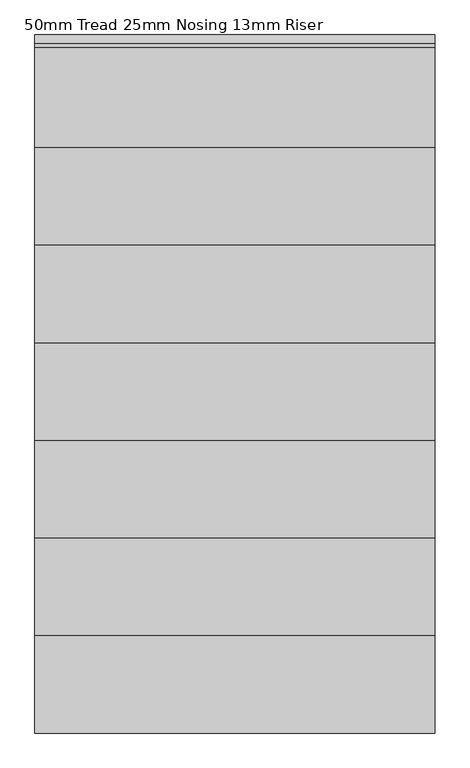
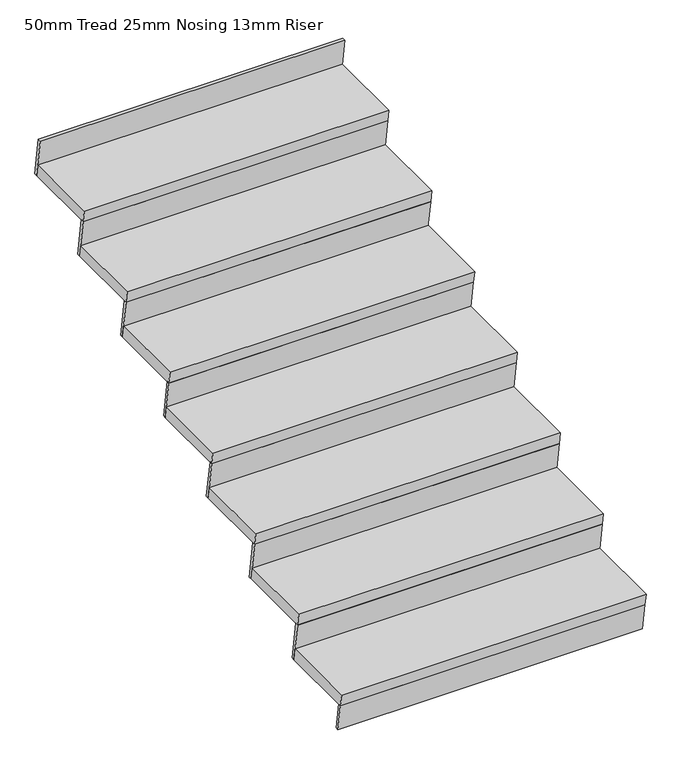
"""IFC4 building model written with IfcOpenShell, lengths in millimetres: stair flight geometry, 50mm Tread 25mm Nosing 13mm Riser."""

import ifcopenshell
import ifcopenshell.guid

model = None  # the IFC model being written
_history = None  # IfcOwnerHistory: only IFC2X3 demands one
_inside = {}  # id of a spatial element -> (the spatial element, [elements in it])
_under = {}  # id of a project, library or spatial element -> (it, [spatial elements below it])
_declared = {}  # id of a project -> (the project, [libraries it declares])
_typed = {}  # id of a type object -> (the type object, [elements of that type])
_made_of = {}  # id of a material, layer set ... -> (it, [elements and type objects made of it])


def new_model(schema):
    """Start an empty IFC model of exactly this schema.

    Asked for "IFC4X3", IfcOpenShell would pick the latest addendum, in which some entities
    have other attributes; the version numbers below select the first issue.
    IFC2X3 requires an IfcOwnerHistory on every rooted entity: one is made here for all.
    """
    global model, _history
    if schema == "IFC4X3":
        model = ifcopenshell.file(schema_version=(4, 3, 0, 0))
    else:
        model = ifcopenshell.file(schema=schema)
    _inside.clear()
    _under.clear()
    _declared.clear()
    _typed.clear()
    _made_of.clear()
    _history = None
    if model.schema == "IFC2X3":
        org = make("IfcOrganization", Name="unknown")
        user = make(
            "IfcPersonAndOrganization",
            ThePerson=make("IfcPerson", FamilyName="unknown"),
            TheOrganization=org,
        )
        app = make(
            "IfcApplication",
            ApplicationDeveloper=org,
            Version="unknown",
            ApplicationFullName="unknown",
            ApplicationIdentifier="unknown",
        )
        _history = make(
            "IfcOwnerHistory",
            OwningUser=user,
            OwningApplication=app,
            ChangeAction="ADDED",
            CreationDate=0,
        )
    return model


def make(cls, **values):
    """One entity of the class cls with the attributes given. An attribute that is None is left unset."""
    return model.create_entity(
        cls, **{name: value for name, value in values.items() if value is not None}
    )


def rooted(cls, **values):
    """An entity with a GlobalId (a new one), such as an element, a storey or a relation."""
    return make(cls, GlobalId=ifcopenshell.guid.new(), OwnerHistory=_history, **values)


def si_unit(unit_type, name, prefix=None):
    """IfcSIUnit, for example si_unit("LENGTHUNIT", "METRE", prefix="MILLI")."""
    return make("IfcSIUnit", UnitType=unit_type, Prefix=prefix, Name=name)


def assignment(units):
    """IfcUnitAssignment: the units of a project."""
    return None if units is None else make("IfcUnitAssignment", Units=units)


def point(xyz):
    """IfcCartesianPoint."""
    return None if xyz is None else make("IfcCartesianPoint", Coordinates=xyz)


def direction(xyz):
    """IfcDirection."""
    return None if xyz is None else make("IfcDirection", DirectionRatios=xyz)


def frame(location, z_axis=None, x_axis=None):
    """IfcAxis2Placement3D, a coordinate frame: its origin and axes. An axis left out is left unset."""
    return make(
        "IfcAxis2Placement3D",
        Location=point(location),
        Axis=direction(z_axis),
        RefDirection=direction(x_axis),
    )


def origin():
    """The frame at (0, 0, 0) with its axes left unset."""
    return frame((0.0, 0.0, 0.0))


def place(relative_to, where):
    """IfcLocalPlacement: puts the frame where relative to a parent placement (None: the world)."""
    return make(
        "IfcLocalPlacement", PlacementRelTo=relative_to, RelativePlacement=where
    )


def context(
    kind, dimensions, precision=None, world=None, true_north=None, identifier=None
):
    """IfcGeometricRepresentationContext, for example the 3D "Model" context."""
    return make(
        "IfcGeometricRepresentationContext",
        ContextIdentifier=identifier,
        ContextType=kind,
        CoordinateSpaceDimension=dimensions,
        Precision=precision,
        WorldCoordinateSystem=world,
        TrueNorth=true_north,
    )


def project(units=None, contexts=None):
    """IfcProject with its units and contexts."""
    return rooted(
        "IfcProject",
        Name="project",
        RepresentationContexts=contexts,
        UnitsInContext=assignment(units),
    )


def spatial(cls, under=None, at=None, **own):
    """A site, building, storey or space (cls), placed at a placement, below another one or the project."""
    s = rooted(cls, ObjectPlacement=at, **own)
    if under is not None:
        _under.setdefault(under.id(), (under, []))[1].append(s)
    return s


def faces_of(points, faces, orient=None, outer=None):
    """IfcFace entities. A face is a list of loops; a loop is a list of indices into points, from 0.

    orient and outer hold one flag for each loop. By default every Orientation is true, the
    first loop of a face is its IfcFaceOuterBound and the others are IfcFaceBound.
    """
    made = []
    for i, loops in enumerate(faces):
        bounds = []
        for j, loop in enumerate(loops):
            is_outer = j == 0 if outer is None else outer[i][j]
            bounds.append(
                make(
                    "IfcFaceOuterBound" if is_outer else "IfcFaceBound",
                    Bound=make("IfcPolyLoop", Polygon=[points[k] for k in loop]),
                    Orientation=True if orient is None else orient[i][j],
                )
            )
        made.append(make("IfcFace", Bounds=bounds))
    return made


def faceted_brep(points, faces, orient=None, outer=None, voids=None):
    """IfcFacetedBrep: a solid bounded by flat faces; with voids (closed shells), ...WithVoids."""
    shared = [point(p) for p in points]
    hull = make("IfcClosedShell", CfsFaces=faces_of(shared, faces, orient, outer))
    if voids is None:
        return make("IfcFacetedBrep", Outer=hull)
    return make(
        "IfcFacetedBrepWithVoids",
        Outer=hull,
        Voids=[
            make(cls, CfsFaces=faces_of(shared, fs, o, b)) for cls, fs, o, b in voids
        ],
    )


def shape(context_of_items, identifier, shape_type, items):
    """IfcShapeRepresentation: the items that make up one representation, for example the "Body"."""
    return make(
        "IfcShapeRepresentation",
        ContextOfItems=context_of_items,
        RepresentationIdentifier=identifier,
        RepresentationType=shape_type,
        Items=items,
    )


def source(mapping_origin, context_of_items, identifier, shape_type, items):
    """IfcRepresentationMap: a shape defined once, which mapped items show again and again."""
    return make(
        "IfcRepresentationMap",
        MappingOrigin=mapping_origin,
        MappedRepresentation=shape(context_of_items, identifier, shape_type, items),
    )


def transform(
    local_origin,
    x_axis=None,
    y_axis=None,
    z_axis=None,
    scale=None,
    scale2=None,
    scale3=None,
    uniform=True,
):
    """IfcCartesianTransformationOperator3D, or its non-uniform kind. x_axis, y_axis, z_axis: its Axis1, 2, 3."""
    if uniform:
        return make(
            "IfcCartesianTransformationOperator3D",
            Axis1=direction(x_axis),
            Axis2=direction(y_axis),
            LocalOrigin=point(local_origin),
            Scale=scale,
            Axis3=direction(z_axis),
        )
    return make(
        "IfcCartesianTransformationOperator3DnonUniform",
        Axis1=direction(x_axis),
        Axis2=direction(y_axis),
        LocalOrigin=point(local_origin),
        Scale=scale,
        Axis3=direction(z_axis),
        Scale2=scale2,
        Scale3=scale3,
    )


def mapped(mapping_source, mapping_target):
    """IfcMappedItem: shows the shape of a source again, moved by a transform."""
    return make(
        "IfcMappedItem", MappingSource=mapping_source, MappingTarget=mapping_target
    )


def made_of(thing, what):
    """Note that an element or type object is made of a material, layer set ...; save() writes the relation."""
    if what is not None:
        _made_of.setdefault(what.id(), (what, []))[1].append(thing)
    return thing


def element(
    cls,
    number,
    at=None,
    inside=None,
    cuts=None,
    type_object=None,
    material=None,
    context=None,
    identifier="Body",
    shape_type=None,
    held_by="IfcProductDefinitionShape",
    body=None,
    shapes=None,
    **own,
):
    """One element of the class cls, such as IfcWall. Its Tag is "e" and its number.

    at: its placement. inside: the storey or other place that contains it. cuts: it is an
    opening in that element (IfcRelVoidsElement). A single representation is given by context,
    identifier, shape_type and body (its items); several are given by shapes. held_by: the class
    of the entity that holds the representations. save() writes the other relations.
    """
    e = rooted(cls, Tag="e%d" % number, ObjectPlacement=at, **own)
    if body is not None:
        shapes = [shape(context, identifier, shape_type, body)]
    if shapes is not None:
        e.Representation = make(held_by, Representations=shapes)
    if inside is not None:
        _inside.setdefault(inside.id(), (inside, []))[1].append(e)
    if cuts is not None:
        rooted(
            "IfcRelVoidsElement", RelatingBuildingElement=cuts, RelatedOpeningElement=e
        )
    if type_object is not None:
        _typed.setdefault(type_object.id(), (type_object, []))[1].append(e)
    return made_of(e, material)


def aggregate(whole, parts):
    """IfcRelAggregates: a whole, such as a stair, and the parts it consists of."""
    return rooted("IfcRelAggregates", RelatingObject=whole, RelatedObjects=parts)


def save(model, path):
    """Write the relations noted so far, then the file.

    IfcRelAggregates (storeys below a building ...), IfcRelContainedInSpatialStructure (elements
    in a storey), IfcRelDefinesByType, IfcRelAssociatesMaterial and IfcRelDeclares: one each for
    every whole, place, type object, material and project.
    """
    for whole, parts in _under.values():
        aggregate(whole, parts)
    for where, things in _inside.values():
        rooted(
            "IfcRelContainedInSpatialStructure",
            RelatedElements=things,
            RelatingStructure=where,
        )
    for kind, things in _typed.values():
        rooted("IfcRelDefinesByType", RelatedObjects=things, RelatingType=kind)
    for what, things in _made_of.values():
        rooted("IfcRelAssociatesMaterial", RelatedObjects=things, RelatingMaterial=what)
    for by, libraries in _declared.values():
        rooted("IfcRelDeclares", RelatingContext=by, RelatedDefinitions=libraries)
    model.write(path)


def stair_flight_50mm_tread_25mm_nosing_13mm_riser_a3781564(model_context):
    return source(origin(), model_context, "Body", "Brep", [
        faceted_brep([(-18990.9759967, 11996.9510942, 162.5), (-18990.9759967, 12004.6434019, 112.5), (-20221.0106474, 12004.6434019, 112.5), (-20221.0106474, 11996.9510942, 162.5), (-20221.0106474, 11671.9510942, 162.5), (-18990.9759967, 11671.9510942, 162.5), (-18990.9759967, 11679.6434019, 112.5), (-20221.0106474, 11679.6434019, 112.5)], [[[0, 1, 2, 3]], [[3, 4, 5, 0]], [[2, 1, 6, 7]], [[4, 3, 2, 7]], [[0, 5, 6, 1]], [[5, 4, 7, 6]]]),
        faceted_brep([(-18990.9759967, 11679.6434019, 112.5), (-18990.9759967, 11696.9510942, 0.0), (-18990.9759967, 11709.5981581, 0.0), (-18990.9759967, 11692.2904658, 112.5), (-20221.0106474, 11679.6434019, 112.5), (-20221.0106474, 11692.2904658, 112.5), (-20221.0106474, 11709.5981581, 0.0), (-20221.0106474, 11696.9510942, 0.0)], [[[0, 1, 2, 3]], [[4, 5, 6, 7]], [[1, 0, 4, 7]], [[2, 1, 7, 6]], [[3, 2, 6, 5]], [[0, 3, 5, 4]]]),
        faceted_brep([(-18990.9759967, 11979.6434019, 275.0), (-18990.9759967, 12004.6434019, 112.5), (-18990.9759967, 12017.2904658, 112.5), (-18990.9759967, 11992.2904658, 275.0), (-20221.0106474, 11979.6434019, 275.0), (-20221.0106474, 11992.2904658, 275.0), (-20221.0106474, 12017.2904658, 112.5), (-20221.0106474, 12004.6434019, 112.5)], [[[0, 1, 2, 3]], [[4, 5, 6, 7]], [[1, 0, 4, 7]], [[2, 1, 7, 6]], [[3, 2, 6, 5]], [[0, 3, 5, 4]]]),
        faceted_brep([(-20221.0106474, 12296.9510942, 325.0), (-20221.0106474, 11971.9510942, 325.0), (-18990.9759967, 11971.9510942, 325.0), (-18990.9759967, 12296.9510942, 325.0), (-20221.0106474, 12304.6434019, 275.0), (-18990.9759967, 12304.6434019, 275.0), (-18990.9759967, 11979.6434019, 275.0), (-20221.0106474, 11979.6434019, 275.0)], [[[0, 1, 2, 3]], [[4, 5, 6, 7]], [[1, 0, 4, 7]], [[3, 2, 6, 5]], [[3, 5, 4, 0]], [[2, 1, 7, 6]]]),
        faceted_brep([(-18990.9759967, 12279.6434019, 437.5), (-18990.9759967, 12304.6434019, 275.0), (-18990.9759967, 12317.2904658, 275.0), (-18990.9759967, 12292.2904658, 437.5), (-20221.0106474, 12279.6434019, 437.5), (-20221.0106474, 12292.2904658, 437.5), (-20221.0106474, 12317.2904658, 275.0), (-20221.0106474, 12304.6434019, 275.0)], [[[0, 1, 2, 3]], [[4, 5, 6, 7]], [[1, 0, 4, 7]], [[2, 1, 7, 6]], [[3, 2, 6, 5]], [[0, 3, 5, 4]]]),
        faceted_brep([(-20221.0106474, 12596.9510942, 487.5), (-20221.0106474, 12271.9510942, 487.5), (-18990.9759967, 12271.9510942, 487.5), (-18990.9759967, 12596.9510942, 487.5), (-20221.0106474, 12604.6434019, 437.5), (-18990.9759967, 12604.6434019, 437.5), (-18990.9759967, 12279.6434019, 437.5), (-20221.0106474, 12279.6434019, 437.5)], [[[0, 1, 2, 3]], [[4, 5, 6, 7]], [[1, 0, 4, 7]], [[3, 2, 6, 5]], [[3, 5, 4, 0]], [[2, 1, 7, 6]]]),
        faceted_brep([(-18990.9759967, 12579.6434019, 600.0), (-18990.9759967, 12604.6434019, 437.5), (-18990.9759967, 12617.2904658, 437.5), (-18990.9759967, 12592.2904658, 600.0), (-20221.0106474, 12579.6434019, 600.0), (-20221.0106474, 12592.2904658, 600.0), (-20221.0106474, 12617.2904658, 437.5), (-20221.0106474, 12604.6434019, 437.5)], [[[0, 1, 2, 3]], [[4, 5, 6, 7]], [[1, 0, 4, 7]], [[2, 1, 7, 6]], [[3, 2, 6, 5]], [[0, 3, 5, 4]]]),
        faceted_brep([(-20221.0106474, 12896.9510942, 650.0), (-20221.0106474, 12571.9510942, 650.0), (-18990.9759967, 12571.9510942, 650.0), (-18990.9759967, 12896.9510942, 650.0), (-20221.0106474, 12904.6434019, 600.0), (-18990.9759967, 12904.6434019, 600.0), (-18990.9759967, 12579.6434019, 600.0), (-20221.0106474, 12579.6434019, 600.0)], [[[0, 1, 2, 3]], [[4, 5, 6, 7]], [[1, 0, 4, 7]], [[3, 2, 6, 5]], [[3, 5, 4, 0]], [[2, 1, 7, 6]]]),
        faceted_brep([(-18990.9759967, 12879.6434019, 762.5), (-18990.9759967, 12904.6434019, 600.0), (-18990.9759967, 12917.2904658, 600.0), (-18990.9759967, 12892.2904658, 762.5), (-20221.0106474, 12879.6434019, 762.5), (-20221.0106474, 12892.2904658, 762.5), (-20221.0106474, 12917.2904658, 600.0), (-20221.0106474, 12904.6434019, 600.0)], [[[0, 1, 2, 3]], [[4, 5, 6, 7]], [[1, 0, 4, 7]], [[2, 1, 7, 6]], [[3, 2, 6, 5]], [[0, 3, 5, 4]]]),
        faceted_brep([(-20221.0106474, 13196.9510942, 812.5), (-20221.0106474, 12871.9510942, 812.5), (-18990.9759967, 12871.9510942, 812.5), (-18990.9759967, 13196.9510942, 812.5), (-20221.0106474, 13204.6434019, 762.5), (-18990.9759967, 13204.6434019, 762.5), (-18990.9759967, 12879.6434019, 762.5), (-20221.0106474, 12879.6434019, 762.5)], [[[0, 1, 2, 3]], [[4, 5, 6, 7]], [[1, 0, 4, 7]], [[3, 2, 6, 5]], [[3, 5, 4, 0]], [[2, 1, 7, 6]]]),
        faceted_brep([(-18990.9759967, 13179.6434019, 925.0), (-18990.9759967, 13204.6434019, 762.5), (-18990.9759967, 13217.2904658, 762.5), (-18990.9759967, 13192.2904658, 925.0), (-20221.0106474, 13179.6434019, 925.0), (-20221.0106474, 13192.2904658, 925.0), (-20221.0106474, 13217.2904658, 762.5), (-20221.0106474, 13204.6434019, 762.5)], [[[0, 1, 2, 3]], [[4, 5, 6, 7]], [[1, 0, 4, 7]], [[2, 1, 7, 6]], [[3, 2, 6, 5]], [[0, 3, 5, 4]]]),
        faceted_brep([(-20221.0106474, 13496.9510942, 975.0), (-20221.0106474, 13171.9510942, 975.0), (-18990.9759967, 13171.9510942, 975.0), (-18990.9759967, 13496.9510942, 975.0), (-20221.0106474, 13504.6434019, 925.0), (-18990.9759967, 13504.6434019, 925.0), (-18990.9759967, 13179.6434019, 925.0), (-20221.0106474, 13179.6434019, 925.0)], [[[0, 1, 2, 3]], [[4, 5, 6, 7]], [[1, 0, 4, 7]], [[3, 2, 6, 5]], [[3, 5, 4, 0]], [[2, 1, 7, 6]]]),
        faceted_brep([(-18990.9759967, 13779.6434019, 1250.0), (-18990.9759967, 13804.6434019, 1087.5), (-18990.9759967, 13817.2904658, 1087.5), (-18990.9759967, 13792.2904658, 1250.0), (-20221.0106474, 13779.6434019, 1250.0), (-20221.0106474, 13792.2904658, 1250.0), (-20221.0106474, 13817.2904658, 1087.5), (-20221.0106474, 13804.6434019, 1087.5)], [[[0, 1, 2, 3]], [[4, 5, 6, 7]], [[1, 0, 4, 7]], [[2, 1, 7, 6]], [[3, 2, 6, 5]], [[0, 3, 5, 4]]]),
        faceted_brep([(-18990.9759967, 13479.6434019, 1087.5), (-18990.9759967, 13504.6434019, 925.0), (-18990.9759967, 13517.2904658, 925.0), (-18990.9759967, 13492.2904658, 1087.5), (-20221.0106474, 13479.6434019, 1087.5), (-20221.0106474, 13492.2904658, 1087.5), (-20221.0106474, 13517.2904658, 925.0), (-20221.0106474, 13504.6434019, 925.0)], [[[0, 1, 2, 3]], [[4, 5, 6, 7]], [[1, 0, 4, 7]], [[2, 1, 7, 6]], [[3, 2, 6, 5]], [[0, 3, 5, 4]]]),
        faceted_brep([(-20221.0106474, 13796.9510942, 1137.5), (-20221.0106474, 13471.9510942, 1137.5), (-18990.9759967, 13471.9510942, 1137.5), (-18990.9759967, 13771.9510942, 1137.5), (-18990.9759967, 13796.9510942, 1137.5), (-20221.0106474, 13804.6434019, 1087.5), (-18990.9759967, 13804.6434019, 1087.5), (-18990.9759967, 13771.9510942, 1087.5), (-18990.9759967, 13479.6434019, 1087.5), (-20221.0106474, 13479.6434019, 1087.5)], [[[0, 1, 2, 3, 4]], [[5, 6, 7, 8, 9]], [[1, 0, 5, 9]], [[3, 2, 8, 7]], [[4, 3, 7, 6]], [[4, 6, 5, 0]], [[2, 1, 9, 8]]]),
    ])


if __name__ == "__main__":
    model = new_model("IFC4")
    model_context = context("Model", 3, world=origin())
    ifc_project = project(units=[si_unit("LENGTHUNIT", "METRE", prefix="MILLI")], contexts=[model_context])
    site = spatial("IfcSite", under=ifc_project)
    building = spatial("IfcBuilding", under=site)
    placement = place(None, origin())
    stair_flight_50mm_tread_25mm_nosing_13mm_riser_shape = stair_flight_50mm_tread_25mm_nosing_13mm_riser_a3781564(model_context)
    element("IfcStairFlight", 1, ObjectType="50mm Tread 25mm Nosing 13mm Riser", at=placement, inside=building, context=model_context, shape_type="MappedRepresentation", body=[
        mapped(stair_flight_50mm_tread_25mm_nosing_13mm_riser_shape, transform((0.0, 0.0, 0.0), x_axis=(1.0, 0.0, 0.0), y_axis=(0.0, 1.0, 0.0), z_axis=(0.0, 0.0, 1.0))),
    ])
    save(model, "model.ifc")
